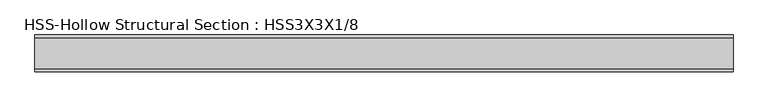
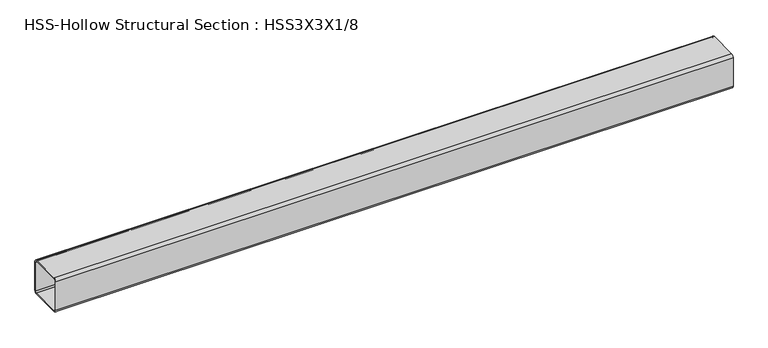
"""IFC4 building model written with IfcOpenShell, lengths in millimetres: beam geometry, HSS-Hollow Structural Section : HSS3X3X1/8."""

from ifc_helpers import new_model, si_unit, point, frame, frame_2d, origin, place, context, project, spatial, polyline, circle_curve, trimmed, segment, composite_curve, outline, extrude, source, transform, mapped, element, save


def hss_hollow_structural_section_hss3x3x1_8_b5c35a8a(model_context):
    return source(origin(), model_context, "Body", "SweptSolid", [
        extrude(outline(composite_curve([segment(polyline([(38.1, 32.2072), (38.1, -32.2072)]), True, "CONTINUOUS"), segment(trimmed(circle_curve(frame_2d((32.2072, -32.2072)), 5.8928), [point((38.1, -32.2072))], [point((32.2072, -38.1))], False, "CARTESIAN"), True, "CONTINUOUS"), segment(polyline([(32.2072, -38.1), (-32.2072, -38.1)]), True, "CONTINUOUS"), segment(trimmed(circle_curve(frame_2d((-32.2072, -32.2072)), 5.8928), [point((-32.2072, -38.1))], [point((-38.1, -32.2072))], False, "CARTESIAN"), True, "CONTINUOUS"), segment(polyline([(-38.1, -32.2072), (-38.1, 32.2072)]), True, "CONTINUOUS"), segment(trimmed(circle_curve(frame_2d((-32.2072, 32.2072)), 5.8928), [point((-38.1, 32.2072))], [point((-32.2072, 38.1))], False, "CARTESIAN"), True, "CONTINUOUS"), segment(polyline([(-32.2072, 38.1), (32.2072, 38.1)]), True, "CONTINUOUS"), segment(trimmed(circle_curve(frame_2d((32.2072, 32.2072)), 5.8928), [point((32.2072, 38.1))], [point((38.1, 32.2072))], False, "CARTESIAN"), True, "CONTINUOUS")], self_intersect=False), holes=[composite_curve([segment(trimmed(circle_curve(frame_2d((-32.2072, 32.2072)), 2.9464), [point((-32.2072, 35.1536))], [point((-35.1536, 32.2072))], True, "CARTESIAN"), True, "CONTINUOUS"), segment(polyline([(-35.1536, 32.2072), (-35.1536, -32.2072)]), True, "CONTINUOUS"), segment(trimmed(circle_curve(frame_2d((-32.2072, -32.2072)), 2.9464), [point((-35.1536, -32.2072))], [point((-32.2072, -35.1536))], True, "CARTESIAN"), True, "CONTINUOUS"), segment(polyline([(-32.2072, -35.1536), (32.2072, -35.1536)]), True, "CONTINUOUS"), segment(trimmed(circle_curve(frame_2d((32.2072, -32.2072)), 2.9464), [point((32.2072, -35.1536))], [point((35.1536, -32.2072))], True, "CARTESIAN"), True, "CONTINUOUS"), segment(polyline([(35.1536, -32.2072), (35.1536, 32.2072)]), True, "CONTINUOUS"), segment(trimmed(circle_curve(frame_2d((32.2072, 32.2072)), 2.9464), [point((35.1536, 32.2072))], [point((32.2072, 35.1536))], True, "CARTESIAN"), True, "CONTINUOUS"), segment(polyline([(32.2072, 35.1536), (-32.2072, 35.1536)]), True, "CONTINUOUS")], self_intersect=False)]), frame((-723.9, 0.0, 0.0), z_axis=(1.0, 0.0, 0.0), x_axis=(0.0, 1.0, 0.0)), (0.0, 0.0, 1.0), 1447.8),
    ])


if __name__ == "__main__":
    model = new_model("IFC4")
    model_context = context("Model", 3, world=origin())
    ifc_project = project(units=[si_unit("LENGTHUNIT", "METRE", prefix="MILLI")], contexts=[model_context])
    site = spatial("IfcSite", under=ifc_project)
    building = spatial("IfcBuilding", under=site)
    placement = place(None, origin())
    hss_hollow_structural_section_hss3x3x1_8_shape = hss_hollow_structural_section_hss3x3x1_8_b5c35a8a(model_context)
    element("IfcBeam", 1, ObjectType="HSS-Hollow Structural Section : HSS3X3X1/8", at=placement, inside=building, context=model_context, shape_type="MappedRepresentation", body=[
        mapped(hss_hollow_structural_section_hss3x3x1_8_shape, transform((0.0, 0.0, 0.0), x_axis=(1.0, 0.0, 0.0), y_axis=(0.0, 1.0, 0.0), z_axis=(0.0, 0.0, 1.0))),
    ])
    save(model, "model.ifc")
